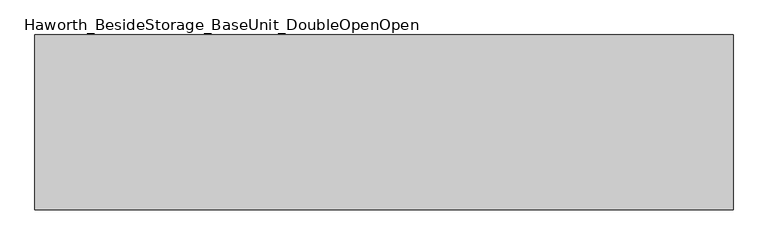
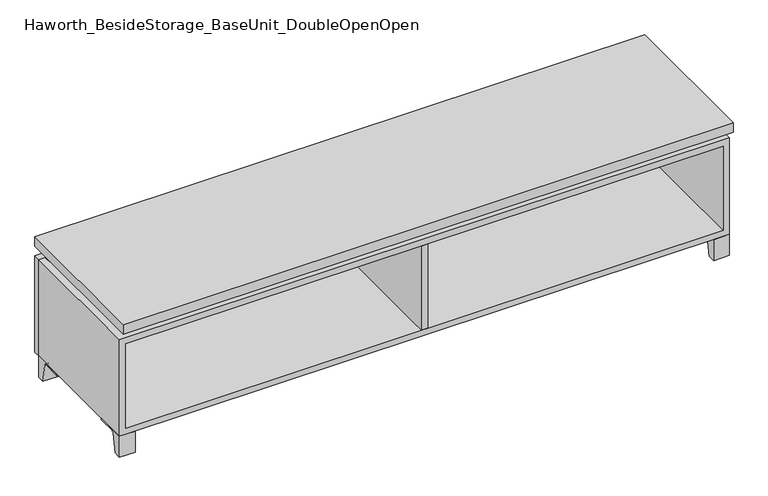
"""IFC4 building model written with IfcOpenShell, lengths in millimetres: furniture geometry, Haworth_BesideStorage_BaseUnit_DoubleOpenOpen."""

from ifc_helpers import new_model, si_unit, point, frame, frame_2d, origin, place, context, project, spatial, polyline, circle_curve, trimmed, segment, composite_curve, outline, extrude, faceted_brep, source, transform, mapped, element, save


def haworth_besidestorage_baseunit_doubleopenopen_61119c1b(model_context):
    return source(origin(), model_context, "Body", "SolidModel", [
        extrude(outline(composite_curve([segment(polyline([(44.9791531, 0.0), (22.225, 0.0), (22.225, 66.675), (117.475, 66.675), (117.475, 61.8963321), (60.6744655, 61.8963321)]), True, "CONTINUOUS"), segment(trimmed(circle_curve(frame_2d((60.6744655, 55.5463321)), 6.35), [point((60.6744655, 61.8963321))], [point((54.4108641, 56.5902656))], True, "CARTESIAN"), True, "CONTINUOUS"), segment(polyline([(54.4108641, 56.5902656), (44.9791531, 0.0)]), True, "CONTINUOUS")], self_intersect=False)), frame((-23.7986094, 0.0, 0.0), z_axis=(1.0, 0.0, 0.0), x_axis=(0.0, 1.0, 0.0)), (0.0, 0.0, 1.0), 47.625),
        extrude(outline(composite_curve([segment(polyline([(-123.2958469, 0.0), (-146.05, 0.0), (-146.05, 66.675), (-50.8, 66.675), (-50.8, 61.8963321), (-107.6005345, 61.8963321)]), True, "CONTINUOUS"), segment(trimmed(circle_curve(frame_2d((-107.6005345, 55.5463321)), 6.35), [point((-107.6005345, 61.8963321))], [point((-113.8641359, 56.5902656))], True, "CARTESIAN"), True, "CONTINUOUS"), segment(polyline([(-113.8641359, 56.5902656), (-123.2958469, 0.0)]), True, "CONTINUOUS")], self_intersect=False)), frame((865.2013906, 0.0, 0.0), z_axis=(1.0, 0.0, 0.0), x_axis=(0.0, 1.0, 0.0)), (0.0, 0.0, 1.0), 47.625),
        extrude(outline(composite_curve([segment(polyline([(250.2958469, 0.0), (240.8641359, 56.5902656)]), True, "CONTINUOUS"), segment(trimmed(circle_curve(frame_2d((234.6005345, 55.5463321)), 6.35), [point((240.8641359, 56.5902656))], [point((234.6005345, 61.8963321))], True, "CARTESIAN"), True, "CONTINUOUS"), segment(polyline([(234.6005345, 61.8963321), (177.8, 61.8963321), (177.8, 66.675), (273.05, 66.675), (273.05, 0.0), (250.2958469, 0.0)]), True, "CONTINUOUS")], self_intersect=False)), frame((865.2013906, 0.0, 0.0), z_axis=(1.0, 0.0, 0.0), x_axis=(0.0, 1.0, 0.0)), (0.0, 0.0, 1.0), 47.625),
        extrude(outline(composite_curve([segment(polyline([(-123.2958469, 0.0), (-146.05, 0.0), (-146.05, 66.675), (-50.8, 66.675), (-50.8, 61.8963321), (-107.6005345, 61.8963321)]), True, "CONTINUOUS"), segment(trimmed(circle_curve(frame_2d((-107.6005345, 55.5463321)), 6.35), [point((-107.6005345, 61.8963321))], [point((-113.8641359, 56.5902656))], True, "CARTESIAN"), True, "CONTINUOUS"), segment(polyline([(-113.8641359, 56.5902656), (-123.2958469, 0.0)]), True, "CONTINUOUS")], self_intersect=False)), frame((-912.7986094, 0.0, 0.0), z_axis=(1.0, 0.0, 0.0), x_axis=(0.0, 1.0, 0.0)), (0.0, 0.0, 1.0), 47.625),
        extrude(outline(composite_curve([segment(polyline([(250.2958469, 0.0), (240.8641359, 56.5902656)]), True, "CONTINUOUS"), segment(trimmed(circle_curve(frame_2d((234.6005345, 55.5463321)), 6.35), [point((240.8641359, 56.5902656))], [point((234.6005345, 61.8963321))], True, "CARTESIAN"), True, "CONTINUOUS"), segment(polyline([(234.6005345, 61.8963321), (177.8, 61.8963321), (177.8, 66.675), (273.05, 66.675), (273.05, 0.0), (250.2958469, 0.0)]), True, "CONTINUOUS")], self_intersect=False)), frame((-912.7986094, 0.0, 0.0), z_axis=(1.0, 0.0, 0.0), x_axis=(0.0, 1.0, 0.0)), (0.0, 0.0, 1.0), 47.625),
        faceted_brep([(-912.7986094, -146.05, 66.675), (912.8125, -146.05, 66.675), (912.8125, -146.05, 371.475), (-912.7986094, -146.05, 371.475), (-893.7486094, -146.05, 85.725), (-893.7486094, -146.05, 352.425), (893.7694453, -146.05, 352.425), (893.7486094, -146.05, 85.725), (-912.7986094, 273.05, 66.675), (-912.7986094, 273.05, 371.475), (-893.7486094, 273.05, 371.475), (-893.7486094, 273.05, 85.725), (893.7486094, 273.05, 85.725), (893.7486094, 273.05, 371.475), (912.8125, 273.05, 371.475), (912.8125, 273.05, 66.675), (893.7486094, 247.65, 371.475), (-893.7416641, 247.65, 371.475), (-893.7486094, 247.65, 352.425), (893.7486094, 247.65, 352.425)], [[[0, 1, 2, 3], [4, 5, 6, 7]], [[8, 9, 10, 11, 12, 13, 14, 15]], [[1, 0, 8, 15]], [[2, 1, 15, 14]], [[3, 2, 14, 13, 16, 17, 10, 9]], [[0, 3, 9, 8]], [[11, 10, 17, 18, 5, 4]], [[13, 12, 7, 6, 19, 16]], [[4, 7, 12, 11]], [[6, 5, 18, 19]], [[17, 16, 19, 18]]]),
        extrude(outline(polyline([(912.8263906, -165.1), (-912.7986094, -165.1), (-912.7986094, 292.1), (912.8263906, 292.1), (912.8263906, -165.1)])), frame((0.0, 0.0, 401.6375), z_axis=(0.0, 0.0, 1.0), x_axis=(1.0, 0.0, 0.0)), (0.0, 0.0, 1.0), 30.1625),
        faceted_brep([(7.9513906, -69.85, 401.6375), (7.9513906, -69.85, 371.475), (7.9513906, 53.975, 371.475), (7.9513906, 53.975, 401.6375), (7.9513906, 196.85, 371.475), (7.9513906, 196.85, 401.6375), (7.9513906, 73.025, 401.6375), (7.9513906, 73.025, 371.475), (-7.9236094, 196.85, 401.6375), (-7.9236094, 196.85, 371.475), (-7.9236094, 73.025, 371.475), (-7.9236094, 73.025, 401.6375), (-7.9236094, -69.85, 371.475), (-7.9236094, -69.85, 401.6375), (-7.9236094, 53.975, 401.6375), (-7.9236094, 53.975, 371.475), (-871.4958281, 73.025, 401.6375), (-871.5166641, 247.65, 401.6375), (-887.3916641, 247.65, 401.6375), (-887.3916641, -120.65, 401.6375), (-871.5166641, -120.65, 401.6375), (-871.5166641, 53.975, 401.6375), (871.5236094, 53.975, 401.6375), (871.5236094, -120.65, 401.6375), (887.3986094, -120.65, 401.6375), (887.3986094, 247.65, 401.6375), (871.5236094, 247.65, 401.6375), (871.5236094, 73.025, 401.6375), (-871.4958281, 53.975, 371.475), (-871.5166641, -120.65, 371.475), (-887.3916641, -120.65, 371.475), (-887.3916641, 247.65, 371.475), (-871.5166641, 247.65, 371.475), (-871.5166641, 73.025, 371.475), (871.5236094, 73.025, 371.475), (871.5236094, 247.65, 371.475), (887.3986094, 247.65, 371.475), (887.3986094, -120.65, 371.475), (871.5236094, -120.65, 371.475), (871.5236094, 53.975, 371.475)], [[[0, 1, 2, 3]], [[4, 5, 6, 7]], [[8, 9, 10, 11]], [[12, 13, 14, 15]], [[5, 8, 11, 16, 17, 18, 19, 20, 21, 14, 13, 0, 3, 22, 23, 24, 25, 26, 27, 6]], [[1, 12, 15, 28, 29, 30, 31, 32, 33, 10, 9, 4, 7, 34, 35, 36, 37, 38, 39, 2]], [[5, 4, 9, 8]], [[1, 0, 13, 12]], [[6, 27, 34, 7]], [[22, 3, 2, 39]], [[20, 29, 28, 21]], [[32, 17, 16, 33]], [[18, 31, 30, 19]], [[29, 20, 19, 30]], [[17, 32, 31, 18]], [[26, 35, 34, 27]], [[38, 23, 22, 39]], [[25, 24, 37, 36]], [[23, 38, 37, 24]], [[35, 26, 25, 36]], [[16, 11, 10, 33]], [[14, 21, 28, 15]]]),
        extrude(outline(polyline([(9.5388906, 203.2), (9.5388906, -146.05), (-9.5111094, -146.05), (-9.5111094, 203.2), (9.5388906, 203.2)])), frame((0.0, 0.0, 85.725), z_axis=(0.0, 0.0, 1.0), x_axis=(1.0, 0.0, 0.0)), (0.0, 0.0, 1.0), 266.7),
        extrude(outline(polyline([(912.8263906, 273.05), (-912.7986094, 273.05), (-912.7986094, 292.1), (912.8263906, 292.1), (912.8263906, 273.05)])), frame((0.0, 0.0, 66.675), z_axis=(0.0, 0.0, 1.0), x_axis=(1.0, 0.0, 0.0)), (0.0, 0.0, 1.0), 304.8),
        extrude(outline(polyline([(-893.7416641, 203.2), (-893.7416641, 209.55), (893.7694453, 209.55), (893.7694453, 203.2), (-893.7416641, 203.2)])), frame((0.0, 0.0, 85.725), z_axis=(0.0, 0.0, 1.0), x_axis=(1.0, 0.0, 0.0)), (0.0, 0.0, 1.0), 266.7),
    ])


if __name__ == "__main__":
    model = new_model("IFC4")
    model_context = context("Model", 3, world=origin())
    ifc_project = project(units=[si_unit("LENGTHUNIT", "METRE", prefix="MILLI")], contexts=[model_context])
    site = spatial("IfcSite", under=ifc_project)
    building = spatial("IfcBuilding", under=site)
    placement = place(None, origin())
    haworth_besidestorage_baseunit_doubleopenopen_shape = haworth_besidestorage_baseunit_doubleopenopen_61119c1b(model_context)
    element("IfcFurniture", 1, ObjectType="Haworth_BesideStorage_BaseUnit_DoubleOpenOpen", at=placement, inside=building, context=model_context, shape_type="MappedRepresentation", body=[
        mapped(haworth_besidestorage_baseunit_doubleopenopen_shape, transform((0.0, 0.0, 0.0), x_axis=(1.0, 0.0, 0.0), y_axis=(0.0, 1.0, 0.0), z_axis=(0.0, 0.0, 1.0))),
    ])
    save(model, "model.ifc")
